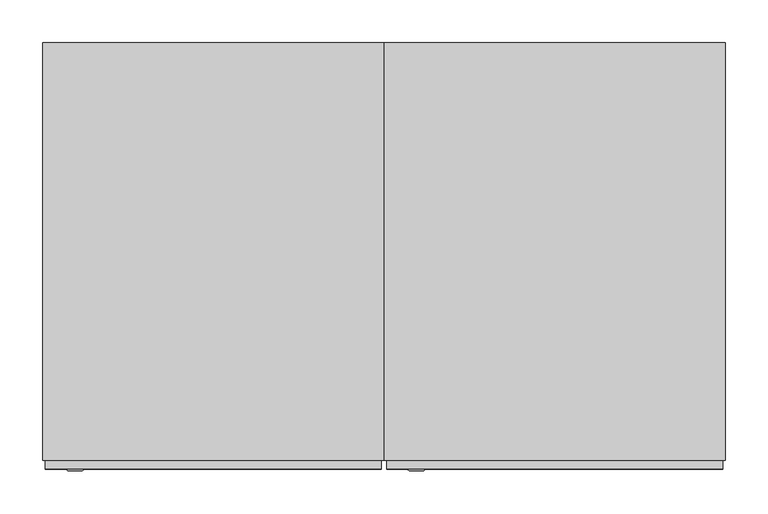
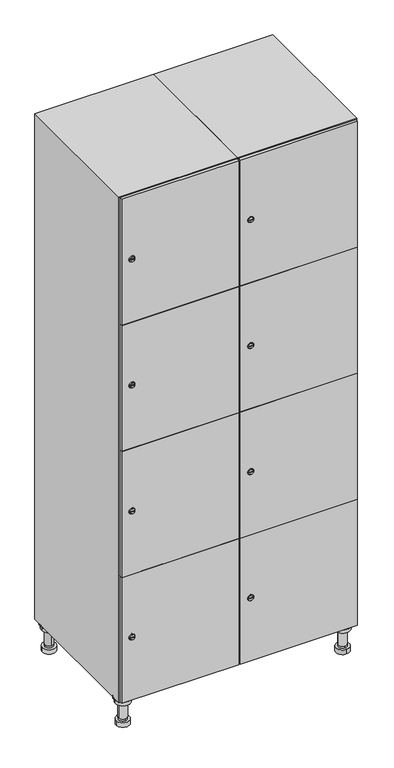
"""IFC4 building model written with IfcOpenShell, lengths in millimetres: furniture geometry."""

from ifc_helpers import new_model, si_unit, point, frame, frame_2d, origin, place, context, project, spatial, polyline, circle_curve, trimmed, segment, composite_curve, outline, extrude, faceted_brep, source, transform, mapped, element, save
from ifc_brep_helpers import plane_surface, cylinder_surface, revolved_surface, advanced_brep


def furniture_9d066c14(model_context):
    return source(origin(), model_context, "Body", "SolidModel", [
        advanced_brep(
        [(570.0, -201.0, 22.0), (570.0, -201.5, 16.0), (570.0, -228.5, 16.0), (570.0, -229.0, 22.0), (556.0, -215.0, 22.0), (584.0, -215.0, 22.0), (570.0, -192.5, 16.0), (570.0, -237.5, 16.0), (570.0, -192.5, 0.0), (570.0, -237.5, 0.0), (584.0, -215.0, 78.0), (556.0, -215.0, 78.0), (595.0, -215.0, 78.0), (545.0, -215.0, 78.0), (600.0, -215.0, 94.0), (540.0, -215.0, 94.0), (545.0, -215.0, 94.0), (595.0, -215.0, 94.0), (600.0, -215.0, 100.0), (540.0, -215.0, 100.0)],
        [
            (0, 1),
            (1, 2, circle_curve(frame((570.0, -215.0, 16.0), z_axis=(0.0, 0.0, 1.0), x_axis=(0.0, -1.0, 0.0)), 13.5)),
            (2, 3),
            (3, 4, circle_curve(frame((570.0, -215.0, 22.0), z_axis=(0.0, 0.0, -1.0), x_axis=(0.0, -1.0, 0.0)), 14.0)),
            (4, 0, circle_curve(frame((570.0, -215.0, 22.0), z_axis=(0.0, 0.0, -1.0), x_axis=(0.0, -1.0, 0.0)), 14.0)),
            (0, 5, circle_curve(frame((570.0, -215.0, 22.0), z_axis=(0.0, 0.0, -1.0), x_axis=(0.0, 1.0, 0.0)), 14.0)),
            (5, 3, circle_curve(frame((570.0, -215.0, 22.0), z_axis=(0.0, 0.0, -1.0), x_axis=(0.0, 1.0, 0.0)), 14.0)),
            (2, 1, circle_curve(frame((570.0, -215.0, 16.0), z_axis=(0.0, 0.0, 1.0), x_axis=(0.0, 1.0, 0.0)), 13.5)),
            (6, 7, circle_curve(frame((570.0, -215.0, 16.0), z_axis=(0.0, 0.0, 1.0), x_axis=(0.0, -1.0, 0.0)), 22.5)),
            (7, 6, circle_curve(frame((570.0, -215.0, 16.0), z_axis=(0.0, 0.0, 1.0), x_axis=(0.0, -1.0, 0.0)), 22.5)),
            (8, 9, circle_curve(frame((570.0, -215.0, 0.0), z_axis=(0.0, 0.0, -1.0), x_axis=(0.0, -1.0, 0.0)), 22.5)),
            (9, 8, circle_curve(frame((570.0, -215.0, 0.0), z_axis=(0.0, 0.0, -1.0), x_axis=(0.0, -1.0, 0.0)), 22.5)),
            (6, 8),
            (9, 7),
            (5, 10),
            (10, 11, circle_curve(frame((570.0, -215.0, 78.0), z_axis=(0.0, 0.0, -1.0), x_axis=(-1.0, 0.0, 0.0)), 14.0)),
            (11, 4),
            (11, 10, circle_curve(frame((570.0, -215.0, 78.0), z_axis=(0.0, 0.0, -1.0), x_axis=(-1.0, 0.0, 0.0)), 14.0)),
            (12, 13, circle_curve(frame((570.0, -215.0, 78.0), z_axis=(0.0, 0.0, -1.0), x_axis=(-1.0, 0.0, 0.0)), 25.0)),
            (13, 12, circle_curve(frame((570.0, -215.0, 78.0), z_axis=(0.0, 0.0, -1.0), x_axis=(-1.0, 0.0, 0.0)), 25.0)),
            (14, 15, circle_curve(frame((570.0, -215.0, 94.0), z_axis=(0.0, 0.0, -1.0), x_axis=(-1.0, 0.0, 0.0)), 30.0)),
            (15, 14, circle_curve(frame((570.0, -215.0, 94.0), z_axis=(0.0, 0.0, -1.0), x_axis=(-1.0, 0.0, 0.0)), 30.0)),
            (16, 17, circle_curve(frame((570.0, -215.0, 94.0), z_axis=(0.0, 0.0, 1.0), x_axis=(-1.0, 0.0, 0.0)), 25.0)),
            (17, 16, circle_curve(frame((570.0, -215.0, 94.0), z_axis=(0.0, 0.0, 1.0), x_axis=(-1.0, 0.0, 0.0)), 25.0)),
            (18, 19, circle_curve(frame((570.0, -215.0, 100.0), z_axis=(0.0, 0.0, 1.0), x_axis=(-1.0, 0.0, 0.0)), 30.0)),
            (19, 18, circle_curve(frame((570.0, -215.0, 100.0), z_axis=(0.0, 0.0, 1.0), x_axis=(-1.0, 0.0, 0.0)), 30.0)),
            (14, 18),
            (19, 15),
            (12, 17),
            (16, 13),
        ],
        [
            revolved_surface(polyline([(570.0, -201.5, 16.0), (570.0, -201.0, 22.0)]), (570.0, -215.0, -146.0), (0.0, 0.0, 1.0)),
            plane_surface(frame((570.0, 0.0, 16.0), z_axis=(0.0, 0.0, 1.0), x_axis=(0.0, -1.0, 0.0))),
            plane_surface(frame((570.0, 0.0, 0.0), z_axis=(0.0, 0.0, -1.0), x_axis=(0.0, -1.0, 0.0))),
            cylinder_surface(frame((570.0, -215.0, 16.0), z_axis=(0.0, 0.0, 1.0), x_axis=(0.0, -1.0, 0.0)), 22.5),
            cylinder_surface(frame((570.0, -215.0, 22.0), z_axis=(0.0, 0.0, -1.0), x_axis=(-1.0, 0.0, 0.0)), 14.0),
            plane_surface(frame((570.0, 0.0, 78.0), z_axis=(0.0, 0.0, -1.0), x_axis=(0.0, -1.0, 0.0))),
            plane_surface(frame((570.0, 0.0, 94.0), z_axis=(0.0, 0.0, -1.0), x_axis=(0.0, -1.0, 0.0))),
            plane_surface(frame((570.0, 0.0, 100.0), z_axis=(0.0, 0.0, 1.0), x_axis=(0.0, -1.0, 0.0))),
            cylinder_surface(frame((570.0, -215.0, 94.0), z_axis=(0.0, 0.0, -1.0), x_axis=(-1.0, 0.0, 0.0)), 30.0),
            cylinder_surface(frame((570.0, -215.0, 78.0), z_axis=(0.0, 0.0, -1.0), x_axis=(-1.0, 0.0, 0.0)), 25.0),
        ],
        [
            (0, [[1, 2, 3, 4, 5]]),
            (0, [[-1, 6, 7, -3, 8]]),
            (1, [[9, 10], [-2, -8]]),
            (2, [[11, 12]]),
            (3, [[-9, 13, -12, 14]]),
            (3, [[-10, -14, -11, -13]]),
            (4, [[15, 16, 17, -4, -7]]),
            (4, [[-15, -6, -5, -17, 18]]),
            (5, [[19, 20], [-16, -18]]),
            (6, [[21, 22], [23, 24]]),
            (7, [[25, 26]]),
            (8, [[-21, 27, -26, 28]]),
            (8, [[-22, -28, -25, -27]]),
            (9, [[-19, 29, -23, 30]]),
            (9, [[-20, -30, -24, -29]]),
        ],
    ),
        advanced_brep(
        [(-170.0, -201.0, 22.0), (-170.0, -201.5, 16.0), (-170.0, -228.5, 16.0), (-170.0, -229.0, 22.0), (-184.0, -215.0, 22.0), (-156.0, -215.0, 22.0), (-147.5, -215.0, 0.0), (-192.5, -215.0, 0.0), (-147.5, -215.0, 16.0), (-192.5, -215.0, 16.0), (-156.0, -215.0, 78.0), (-184.0, -215.0, 78.0), (-145.0, -215.0, 78.0), (-195.0, -215.0, 78.0), (-140.0, -215.0, 94.0), (-200.0, -215.0, 94.0), (-195.0, -215.0, 94.0), (-145.0, -215.0, 94.0), (-140.0, -215.0, 100.0), (-200.0, -215.0, 100.0)],
        [
            (0, 1),
            (1, 2, circle_curve(frame((-170.0, -215.0, 16.0), z_axis=(0.0, 0.0, 1.0), x_axis=(0.0, -1.0, 0.0)), 13.5)),
            (2, 3),
            (3, 4, circle_curve(frame((-170.0, -215.0, 22.0), z_axis=(0.0, 0.0, -1.0), x_axis=(0.0, -1.0, 0.0)), 14.0)),
            (4, 0, circle_curve(frame((-170.0, -215.0, 22.0), z_axis=(0.0, 0.0, -1.0), x_axis=(0.0, -1.0, 0.0)), 14.0)),
            (0, 5, circle_curve(frame((-170.0, -215.0, 22.0), z_axis=(0.0, 0.0, -1.0), x_axis=(0.0, 1.0, 0.0)), 14.0)),
            (5, 3, circle_curve(frame((-170.0, -215.0, 22.0), z_axis=(0.0, 0.0, -1.0), x_axis=(0.0, 1.0, 0.0)), 14.0)),
            (2, 1, circle_curve(frame((-170.0, -215.0, 16.0), z_axis=(0.0, 0.0, 1.0), x_axis=(0.0, 1.0, 0.0)), 13.5)),
            (6, 7, circle_curve(frame((-170.0, -215.0, 0.0), z_axis=(0.0, 0.0, -1.0), x_axis=(-1.0, 0.0, 0.0)), 22.5)),
            (7, 6, circle_curve(frame((-170.0, -215.0, 0.0), z_axis=(0.0, 0.0, -1.0), x_axis=(-1.0, 0.0, 0.0)), 22.5)),
            (8, 9, circle_curve(frame((-170.0, -215.0, 16.0), z_axis=(0.0, 0.0, 1.0), x_axis=(-1.0, 0.0, 0.0)), 22.5)),
            (9, 8, circle_curve(frame((-170.0, -215.0, 16.0), z_axis=(0.0, 0.0, 1.0), x_axis=(-1.0, 0.0, 0.0)), 22.5)),
            (6, 8),
            (9, 7),
            (5, 10),
            (10, 11, circle_curve(frame((-170.0, -215.0, 78.0), z_axis=(0.0, 0.0, -1.0), x_axis=(-1.0, 0.0, 0.0)), 14.0)),
            (11, 4),
            (11, 10, circle_curve(frame((-170.0, -215.0, 78.0), z_axis=(0.0, 0.0, -1.0), x_axis=(-1.0, 0.0, 0.0)), 14.0)),
            (12, 13, circle_curve(frame((-170.0, -215.0, 78.0), z_axis=(0.0, 0.0, -1.0), x_axis=(-1.0, 0.0, 0.0)), 25.0)),
            (13, 12, circle_curve(frame((-170.0, -215.0, 78.0), z_axis=(0.0, 0.0, -1.0), x_axis=(-1.0, 0.0, 0.0)), 25.0)),
            (14, 15, circle_curve(frame((-170.0, -215.0, 94.0), z_axis=(0.0, 0.0, -1.0), x_axis=(-1.0, 0.0, 0.0)), 30.0)),
            (15, 14, circle_curve(frame((-170.0, -215.0, 94.0), z_axis=(0.0, 0.0, -1.0), x_axis=(-1.0, 0.0, 0.0)), 30.0)),
            (16, 17, circle_curve(frame((-170.0, -215.0, 94.0), z_axis=(0.0, 0.0, 1.0), x_axis=(-1.0, 0.0, 0.0)), 25.0)),
            (17, 16, circle_curve(frame((-170.0, -215.0, 94.0), z_axis=(0.0, 0.0, 1.0), x_axis=(-1.0, 0.0, 0.0)), 25.0)),
            (18, 19, circle_curve(frame((-170.0, -215.0, 100.0), z_axis=(0.0, 0.0, 1.0), x_axis=(-1.0, 0.0, 0.0)), 30.0)),
            (19, 18, circle_curve(frame((-170.0, -215.0, 100.0), z_axis=(0.0, 0.0, 1.0), x_axis=(-1.0, 0.0, 0.0)), 30.0)),
            (14, 18),
            (19, 15),
            (12, 17),
            (16, 13),
        ],
        [
            revolved_surface(polyline([(-170.0, -201.5, 16.0), (-170.0, -201.0, 22.0)]), (-170.0, -215.0, -146.0), (0.0, 0.0, 1.0)),
            plane_surface(frame((-170.0, 0.0, 0.0), z_axis=(0.0, 0.0, -1.0), x_axis=(0.0, -1.0, 0.0))),
            plane_surface(frame((-170.0, 0.0, 16.0), z_axis=(0.0, 0.0, 1.0), x_axis=(0.0, -1.0, 0.0))),
            cylinder_surface(frame((-170.0, -215.0, 0.0), z_axis=(0.0, 0.0, -1.0), x_axis=(-1.0, 0.0, 0.0)), 22.5),
            cylinder_surface(frame((-170.0, -215.0, 22.0), z_axis=(0.0, 0.0, -1.0), x_axis=(-1.0, 0.0, 0.0)), 14.0),
            plane_surface(frame((-170.0, 0.0, 78.0), z_axis=(0.0, 0.0, -1.0), x_axis=(0.0, -1.0, 0.0))),
            plane_surface(frame((-170.0, 0.0, 94.0), z_axis=(0.0, 0.0, -1.0), x_axis=(0.0, -1.0, 0.0))),
            plane_surface(frame((-170.0, 0.0, 100.0), z_axis=(0.0, 0.0, 1.0), x_axis=(0.0, -1.0, 0.0))),
            cylinder_surface(frame((-170.0, -215.0, 94.0), z_axis=(0.0, 0.0, -1.0), x_axis=(-1.0, 0.0, 0.0)), 30.0),
            cylinder_surface(frame((-170.0, -215.0, 78.0), z_axis=(0.0, 0.0, -1.0), x_axis=(-1.0, 0.0, 0.0)), 25.0),
        ],
        [
            (0, [[1, 2, 3, 4, 5]]),
            (0, [[-1, 6, 7, -3, 8]]),
            (1, [[9, 10]]),
            (2, [[11, 12], [-2, -8]]),
            (3, [[-9, 13, -12, 14]]),
            (3, [[-10, -14, -11, -13]]),
            (4, [[15, 16, 17, -4, -7]]),
            (4, [[-15, -6, -5, -17, 18]]),
            (5, [[19, 20], [-16, -18]]),
            (6, [[21, 22], [23, 24]]),
            (7, [[25, 26]]),
            (8, [[-21, 27, -26, 28]]),
            (8, [[-22, -28, -25, -27]]),
            (9, [[-19, 29, -23, 30]]),
            (9, [[-20, -30, -24, -29]]),
        ],
    ),
        advanced_brep(
        [(583.5, 215.0, 16.0), (584.0, 215.0, 22.0), (556.0, 215.0, 22.0), (556.5, 215.0, 16.0), (592.5, 215.0, 0.0), (547.5, 215.0, 0.0), (592.5, 215.0, 16.0), (547.5, 215.0, 16.0), (584.0, 215.0, 78.0), (556.0, 215.0, 78.0), (595.0, 215.0, 78.0), (545.0, 215.0, 78.0), (600.0, 215.0, 94.0), (540.0, 215.0, 94.0), (545.0, 215.0, 94.0), (595.0, 215.0, 94.0), (600.0, 215.0, 100.0), (540.0, 215.0, 100.0)],
        [
            (0, 1),
            (1, 2, circle_curve(frame((570.0, 215.0, 22.0), z_axis=(0.0, 0.0, -1.0), x_axis=(-1.0, 0.0, 0.0)), 14.0)),
            (2, 3),
            (3, 0, circle_curve(frame((570.0, 215.0, 16.0), z_axis=(0.0, 0.0, 1.0), x_axis=(-1.0, 0.0, 0.0)), 13.5)),
            (0, 3, circle_curve(frame((570.0, 215.0, 16.0), z_axis=(0.0, 0.0, 1.0), x_axis=(1.0, 0.0, 0.0)), 13.5)),
            (2, 1, circle_curve(frame((570.0, 215.0, 22.0), z_axis=(0.0, 0.0, -1.0), x_axis=(1.0, 0.0, 0.0)), 14.0)),
            (4, 5, circle_curve(frame((570.0, 215.0, 0.0), z_axis=(0.0, 0.0, -1.0), x_axis=(-1.0, 0.0, 0.0)), 22.5)),
            (5, 4, circle_curve(frame((570.0, 215.0, 0.0), z_axis=(0.0, 0.0, -1.0), x_axis=(-1.0, 0.0, 0.0)), 22.5)),
            (6, 7, circle_curve(frame((570.0, 215.0, 16.0), z_axis=(0.0, 0.0, 1.0), x_axis=(-1.0, 0.0, 0.0)), 22.5)),
            (7, 6, circle_curve(frame((570.0, 215.0, 16.0), z_axis=(0.0, 0.0, 1.0), x_axis=(-1.0, 0.0, 0.0)), 22.5)),
            (4, 6),
            (7, 5),
            (1, 8),
            (8, 9, circle_curve(frame((570.0, 215.0, 78.0), z_axis=(0.0, 0.0, -1.0), x_axis=(-1.0, 0.0, 0.0)), 14.0)),
            (9, 2),
            (9, 8, circle_curve(frame((570.0, 215.0, 78.0), z_axis=(0.0, 0.0, -1.0), x_axis=(-1.0, 0.0, 0.0)), 14.0)),
            (10, 11, circle_curve(frame((570.0, 215.0, 78.0), z_axis=(0.0, 0.0, -1.0), x_axis=(-1.0, 0.0, 0.0)), 25.0)),
            (11, 10, circle_curve(frame((570.0, 215.0, 78.0), z_axis=(0.0, 0.0, -1.0), x_axis=(-1.0, 0.0, 0.0)), 25.0)),
            (12, 13, circle_curve(frame((570.0, 215.0, 94.0), z_axis=(0.0, 0.0, -1.0), x_axis=(-1.0, 0.0, 0.0)), 30.0)),
            (13, 12, circle_curve(frame((570.0, 215.0, 94.0), z_axis=(0.0, 0.0, -1.0), x_axis=(-1.0, 0.0, 0.0)), 30.0)),
            (14, 15, circle_curve(frame((570.0, 215.0, 94.0), z_axis=(0.0, 0.0, 1.0), x_axis=(-1.0, 0.0, 0.0)), 25.0)),
            (15, 14, circle_curve(frame((570.0, 215.0, 94.0), z_axis=(0.0, 0.0, 1.0), x_axis=(-1.0, 0.0, 0.0)), 25.0)),
            (16, 17, circle_curve(frame((570.0, 215.0, 100.0), z_axis=(0.0, 0.0, 1.0), x_axis=(-1.0, 0.0, 0.0)), 30.0)),
            (17, 16, circle_curve(frame((570.0, 215.0, 100.0), z_axis=(0.0, 0.0, 1.0), x_axis=(-1.0, 0.0, 0.0)), 30.0)),
            (12, 16),
            (17, 13),
            (10, 15),
            (14, 11),
        ],
        [
            revolved_surface(polyline([(583.5, 215.0, 16.0), (584.0, 215.0, 22.0)]), (570.0, 215.0, -146.0), (0.0, 0.0, 1.0)),
            plane_surface(frame((570.0, 0.0, 0.0), z_axis=(0.0, 0.0, -1.0), x_axis=(0.0, -1.0, 0.0))),
            plane_surface(frame((570.0, 0.0, 16.0), z_axis=(0.0, 0.0, 1.0), x_axis=(0.0, -1.0, 0.0))),
            cylinder_surface(frame((570.0, 215.0, 0.0), z_axis=(0.0, 0.0, -1.0), x_axis=(-1.0, 0.0, 0.0)), 22.5),
            cylinder_surface(frame((570.0, 215.0, 22.0), z_axis=(0.0, 0.0, -1.0), x_axis=(-1.0, 0.0, 0.0)), 14.0),
            plane_surface(frame((570.0, 0.0, 78.0), z_axis=(0.0, 0.0, -1.0), x_axis=(0.0, -1.0, 0.0))),
            plane_surface(frame((570.0, 0.0, 94.0), z_axis=(0.0, 0.0, -1.0), x_axis=(0.0, -1.0, 0.0))),
            plane_surface(frame((570.0, 0.0, 100.0), z_axis=(0.0, 0.0, 1.0), x_axis=(0.0, -1.0, 0.0))),
            cylinder_surface(frame((570.0, 215.0, 94.0), z_axis=(0.0, 0.0, -1.0), x_axis=(-1.0, 0.0, 0.0)), 30.0),
            cylinder_surface(frame((570.0, 215.0, 78.0), z_axis=(0.0, 0.0, -1.0), x_axis=(-1.0, 0.0, 0.0)), 25.0),
        ],
        [
            (0, [[1, 2, 3, 4]]),
            (0, [[-1, 5, -3, 6]]),
            (1, [[7, 8]]),
            (2, [[9, 10], [-4, -5]]),
            (3, [[-7, 11, -10, 12]]),
            (3, [[-8, -12, -9, -11]]),
            (4, [[13, 14, 15, -2]]),
            (4, [[-13, -6, -15, 16]]),
            (5, [[17, 18], [-14, -16]]),
            (6, [[19, 20], [21, 22]]),
            (7, [[23, 24]]),
            (8, [[-19, 25, -24, 26]]),
            (8, [[-20, -26, -23, -25]]),
            (9, [[-17, 27, -21, 28]]),
            (9, [[-18, -28, -22, -27]]),
        ],
    ),
        advanced_brep(
        [(-156.5, 215.0, 16.0), (-156.0, 215.0, 22.0), (-170.0, 201.0, 22.0), (-184.0, 215.0, 22.0), (-183.5, 215.0, 16.0), (-170.0, 229.0, 22.0), (-147.5, 215.0, 0.0), (-192.5, 215.0, 0.0), (-147.5, 215.0, 16.0), (-192.5, 215.0, 16.0), (-170.0, 229.0, 78.0), (-170.0, 201.0, 78.0), (-145.0, 215.0, 78.0), (-195.0, 215.0, 78.0), (-140.0, 215.0, 94.0), (-200.0, 215.0, 94.0), (-195.0, 215.0, 94.0), (-145.0, 215.0, 94.0), (-140.0, 215.0, 100.0), (-200.0, 215.0, 100.0)],
        [
            (0, 1),
            (1, 2, circle_curve(frame((-170.0, 215.0, 22.0), z_axis=(0.0, 0.0, -1.0), x_axis=(-1.0, 0.0, 0.0)), 14.0)),
            (2, 3, circle_curve(frame((-170.0, 215.0, 22.0), z_axis=(0.0, 0.0, -1.0), x_axis=(-1.0, 0.0, 0.0)), 14.0)),
            (3, 4),
            (4, 0, circle_curve(frame((-170.0, 215.0, 16.0), z_axis=(0.0, 0.0, 1.0), x_axis=(-1.0, 0.0, 0.0)), 13.5)),
            (0, 4, circle_curve(frame((-170.0, 215.0, 16.0), z_axis=(0.0, 0.0, 1.0), x_axis=(1.0, 0.0, 0.0)), 13.5)),
            (3, 5, circle_curve(frame((-170.0, 215.0, 22.0), z_axis=(0.0, 0.0, -1.0), x_axis=(1.0, 0.0, 0.0)), 14.0)),
            (5, 1, circle_curve(frame((-170.0, 215.0, 22.0), z_axis=(0.0, 0.0, -1.0), x_axis=(1.0, 0.0, 0.0)), 14.0)),
            (6, 7, circle_curve(frame((-170.0, 215.0, 0.0), z_axis=(0.0, 0.0, -1.0), x_axis=(-1.0, 0.0, 0.0)), 22.5)),
            (7, 6, circle_curve(frame((-170.0, 215.0, 0.0), z_axis=(0.0, 0.0, -1.0), x_axis=(-1.0, 0.0, 0.0)), 22.5)),
            (8, 9, circle_curve(frame((-170.0, 215.0, 16.0), z_axis=(0.0, 0.0, 1.0), x_axis=(-1.0, 0.0, 0.0)), 22.5)),
            (9, 8, circle_curve(frame((-170.0, 215.0, 16.0), z_axis=(0.0, 0.0, 1.0), x_axis=(-1.0, 0.0, 0.0)), 22.5)),
            (6, 8),
            (9, 7),
            (10, 5),
            (2, 11),
            (11, 10, circle_curve(frame((-170.0, 215.0, 78.0), z_axis=(0.0, 0.0, -1.0), x_axis=(0.0, -1.0, 0.0)), 14.0)),
            (10, 11, circle_curve(frame((-170.0, 215.0, 78.0), z_axis=(0.0, 0.0, -1.0), x_axis=(0.0, -1.0, 0.0)), 14.0)),
            (12, 13, circle_curve(frame((-170.0, 215.0, 78.0), z_axis=(0.0, 0.0, -1.0), x_axis=(-1.0, 0.0, 0.0)), 25.0)),
            (13, 12, circle_curve(frame((-170.0, 215.0, 78.0), z_axis=(0.0, 0.0, -1.0), x_axis=(-1.0, 0.0, 0.0)), 25.0)),
            (14, 15, circle_curve(frame((-170.0, 215.0, 94.0), z_axis=(0.0, 0.0, -1.0), x_axis=(-1.0, 0.0, 0.0)), 30.0)),
            (15, 14, circle_curve(frame((-170.0, 215.0, 94.0), z_axis=(0.0, 0.0, -1.0), x_axis=(-1.0, 0.0, 0.0)), 30.0)),
            (16, 17, circle_curve(frame((-170.0, 215.0, 94.0), z_axis=(0.0, 0.0, 1.0), x_axis=(-1.0, 0.0, 0.0)), 25.0)),
            (17, 16, circle_curve(frame((-170.0, 215.0, 94.0), z_axis=(0.0, 0.0, 1.0), x_axis=(-1.0, 0.0, 0.0)), 25.0)),
            (18, 19, circle_curve(frame((-170.0, 215.0, 100.0), z_axis=(0.0, 0.0, 1.0), x_axis=(-1.0, 0.0, 0.0)), 30.0)),
            (19, 18, circle_curve(frame((-170.0, 215.0, 100.0), z_axis=(0.0, 0.0, 1.0), x_axis=(-1.0, 0.0, 0.0)), 30.0)),
            (14, 18),
            (19, 15),
            (12, 17),
            (16, 13),
        ],
        [
            revolved_surface(polyline([(-156.5, 215.0, 16.0), (-156.0, 215.0, 22.0)]), (-170.0, 215.0, -146.0), (0.0, 0.0, 1.0)),
            plane_surface(frame((-170.0, 0.0, 0.0), z_axis=(0.0, 0.0, -1.0), x_axis=(0.0, -1.0, 0.0))),
            plane_surface(frame((-170.0, 0.0, 16.0), z_axis=(0.0, 0.0, 1.0), x_axis=(0.0, -1.0, 0.0))),
            cylinder_surface(frame((-170.0, 215.0, 0.0), z_axis=(0.0, 0.0, -1.0), x_axis=(-1.0, 0.0, 0.0)), 22.5),
            cylinder_surface(frame((-170.0, 215.0, 78.0), z_axis=(0.0, 0.0, 1.0), x_axis=(0.0, -1.0, 0.0)), 14.0),
            plane_surface(frame((-170.0, 0.0, 78.0), z_axis=(0.0, 0.0, -1.0), x_axis=(0.0, -1.0, 0.0))),
            plane_surface(frame((-170.0, 0.0, 94.0), z_axis=(0.0, 0.0, -1.0), x_axis=(0.0, -1.0, 0.0))),
            plane_surface(frame((-170.0, 0.0, 100.0), z_axis=(0.0, 0.0, 1.0), x_axis=(0.0, -1.0, 0.0))),
            cylinder_surface(frame((-170.0, 215.0, 94.0), z_axis=(0.0, 0.0, -1.0), x_axis=(-1.0, 0.0, 0.0)), 30.0),
            cylinder_surface(frame((-170.0, 215.0, 78.0), z_axis=(0.0, 0.0, -1.0), x_axis=(-1.0, 0.0, 0.0)), 25.0),
        ],
        [
            (0, [[1, 2, 3, 4, 5]]),
            (0, [[-1, 6, -4, 7, 8]]),
            (1, [[9, 10]]),
            (2, [[11, 12], [-5, -6]]),
            (3, [[-9, 13, -12, 14]]),
            (3, [[-10, -14, -11, -13]]),
            (4, [[15, -7, -3, 16, 17]]),
            (4, [[-15, 18, -16, -2, -8]]),
            (5, [[19, 20], [-17, -18]]),
            (6, [[21, 22], [23, 24]]),
            (7, [[25, 26]]),
            (8, [[-21, 27, -26, 28]]),
            (8, [[-22, -28, -25, -27]]),
            (9, [[-19, 29, -23, 30]]),
            (9, [[-20, -30, -24, -29]]),
        ],
    ),
        extrude(outline(composite_curve([segment(trimmed(circle_curve(frame_2d((327.25, 211.2010534)), 7.0), [point((334.25, 211.2010534))], [point((320.25, 211.2010534))], False, "CARTESIAN"), True, "CONTINUOUS"), segment(polyline([(320.25, 211.2010534), (320.25, 239.2010534)]), True, "CONTINUOUS"), segment(trimmed(circle_curve(frame_2d((327.25, 239.2010534)), 7.0), [point((320.25, 239.2010534))], [point((334.25, 239.2010534))], False, "CARTESIAN"), True, "CONTINUOUS"), segment(polyline([(334.25, 239.2010534), (334.25, 211.2010534)]), True, "CONTINUOUS")], self_intersect=False)), frame((0.0, -245.0, 0.0), z_axis=(0.0, 1.0, 0.0), x_axis=(0.0, 0.0, 1.0)), (0.0, 0.0, 1.0), 2.0),
        advanced_brep(
        [(246.5, -257.2, 327.25), (229.5, -257.2, 327.25), (233.0, -257.2, 326.0), (233.0, -257.2, 328.5), (243.0, -257.2, 328.5), (243.0, -257.2, 326.0), (248.5, -255.0, 327.25), (227.5, -255.0, 327.25), (233.0, -255.0, 328.5), (233.0, -255.0, 326.0), (243.0, -255.0, 326.0), (243.0, -255.0, 328.5)],
        [
            (0, 1, circle_curve(frame((238.0, -257.2, 327.25), z_axis=(0.0, -1.0, 0.0), x_axis=(1.0, 0.0, 0.0)), 8.5)),
            (1, 0, circle_curve(frame((238.0, -257.2, 327.25), z_axis=(0.0, -1.0, 0.0), x_axis=(-1.0, 0.0, 0.0)), 8.5)),
            (2, 3),
            (3, 4),
            (4, 5),
            (5, 2),
            (6, 7, circle_curve(frame((238.0, -255.0, 327.25), z_axis=(0.0, 1.0, 0.0), x_axis=(-1.0, 0.0, 0.0)), 10.5)),
            (7, 6, circle_curve(frame((238.0, -255.0, 327.25), z_axis=(0.0, 1.0, 0.0), x_axis=(1.0, 0.0, 0.0)), 10.5)),
            (8, 9),
            (9, 10),
            (10, 11),
            (11, 8),
            (0, 6),
            (7, 1),
            (8, 3),
            (2, 9),
            (11, 4),
            (10, 5),
        ],
        [
            plane_surface(frame((238.0, -257.2, 327.25), z_axis=(0.0, -1.0, 0.0), x_axis=(0.0, 0.0, 1.0))),
            plane_surface(frame((238.0, -255.0, 327.25), z_axis=(0.0, 1.0, 0.0), x_axis=(0.0, 0.0, 1.0))),
            revolved_surface(polyline([(246.5, -257.2, 327.25), (248.5, -255.0, 327.25)]), (238.0, -266.55, 327.25), (0.0, 1.0, 0.0)),
            revolved_surface(polyline([(229.5, -257.2, 327.25), (227.5, -255.0, 327.25)]), (238.0, -266.55, 327.25), (0.0, 1.0, 0.0)),
            plane_surface(frame((233.0, -255.0, 326.0), z_axis=(1.0, 0.0, 0.0), x_axis=(0.0, -1.0, 0.0))),
            plane_surface(frame((233.0, -255.0, 328.5), z_axis=(0.0, 0.0, -1.0), x_axis=(0.0, -1.0, 0.0))),
            plane_surface(frame((243.0, -255.0, 328.5), z_axis=(-1.0, 0.0, 0.0), x_axis=(0.0, -1.0, 0.0))),
            plane_surface(frame((243.0, -255.0, 326.0), z_axis=(0.0, 0.0, 1.0), x_axis=(0.0, -1.0, 0.0))),
        ],
        [
            (0, [[1, 2], [3, 4, 5, 6]]),
            (1, [[7, 8], [9, 10, 11, 12]]),
            (2, [[-1, 13, -8, 14]]),
            (3, [[-2, -14, -7, -13]]),
            (4, [[15, -3, 16, -9]]),
            (5, [[-15, -12, 17, -4]]),
            (6, [[-17, -11, 18, -5]]),
            (7, [[-16, -6, -18, -10]]),
        ],
    ),
        extrude(outline(composite_curve([segment(trimmed(circle_curve(frame_2d((775.75, 211.2010534)), 7.0), [point((782.75, 211.2010534))], [point((768.75, 211.2010534))], False, "CARTESIAN"), True, "CONTINUOUS"), segment(polyline([(768.75, 211.2010534), (768.75, 239.2010534)]), True, "CONTINUOUS"), segment(trimmed(circle_curve(frame_2d((775.75, 239.2010534)), 7.0), [point((768.75, 239.2010534))], [point((782.75, 239.2010534))], False, "CARTESIAN"), True, "CONTINUOUS"), segment(polyline([(782.75, 239.2010534), (782.75, 211.2010534)]), True, "CONTINUOUS")], self_intersect=False)), frame((0.0, -245.0, 0.0), z_axis=(0.0, 1.0, 0.0), x_axis=(0.0, 0.0, 1.0)), (0.0, 0.0, 1.0), 2.0),
        advanced_brep(
        [(246.5, -257.2, 775.75), (229.5, -257.2, 775.75), (233.0, -257.2, 774.5), (233.0, -257.2, 777.0), (243.0, -257.2, 777.0), (243.0, -257.2, 774.5), (248.5, -255.0, 775.75), (227.5, -255.0, 775.75), (233.0, -255.0, 777.0), (233.0, -255.0, 774.5), (243.0, -255.0, 774.5), (243.0, -255.0, 777.0)],
        [
            (0, 1, circle_curve(frame((238.0, -257.2, 775.75), z_axis=(0.0, -1.0, 0.0), x_axis=(1.0, 0.0, 0.0)), 8.5)),
            (1, 0, circle_curve(frame((238.0, -257.2, 775.75), z_axis=(0.0, -1.0, 0.0), x_axis=(-1.0, 0.0, 0.0)), 8.5)),
            (2, 3),
            (3, 4),
            (4, 5),
            (5, 2),
            (6, 7, circle_curve(frame((238.0, -255.0, 775.75), z_axis=(0.0, 1.0, 0.0), x_axis=(-1.0, 0.0, 0.0)), 10.5)),
            (7, 6, circle_curve(frame((238.0, -255.0, 775.75), z_axis=(0.0, 1.0, 0.0), x_axis=(1.0, 0.0, 0.0)), 10.5)),
            (8, 9),
            (9, 10),
            (10, 11),
            (11, 8),
            (0, 6),
            (7, 1),
            (8, 3),
            (2, 9),
            (11, 4),
            (10, 5),
        ],
        [
            plane_surface(frame((238.0, -257.2, 775.75), z_axis=(0.0, -1.0, 0.0), x_axis=(0.0, 0.0, 1.0))),
            plane_surface(frame((238.0, -255.0, 775.75), z_axis=(0.0, 1.0, 0.0), x_axis=(0.0, 0.0, 1.0))),
            revolved_surface(polyline([(246.5, -257.2, 775.75), (248.5, -255.0, 775.75)]), (238.0, -266.55, 775.75), (0.0, 1.0, 0.0)),
            revolved_surface(polyline([(229.5, -257.2, 775.75), (227.5, -255.0, 775.75)]), (238.0, -266.55, 775.75), (0.0, 1.0, 0.0)),
            plane_surface(frame((233.0, -255.0, 774.5), z_axis=(1.0, 0.0, 0.0), x_axis=(0.0, -1.0, 0.0))),
            plane_surface(frame((233.0, -255.0, 777.0), z_axis=(0.0, 0.0, -1.0), x_axis=(0.0, -1.0, 0.0))),
            plane_surface(frame((243.0, -255.0, 777.0), z_axis=(-1.0, 0.0, 0.0), x_axis=(0.0, -1.0, 0.0))),
            plane_surface(frame((243.0, -255.0, 774.5), z_axis=(0.0, 0.0, 1.0), x_axis=(0.0, -1.0, 0.0))),
        ],
        [
            (0, [[1, 2], [3, 4, 5, 6]]),
            (1, [[7, 8], [9, 10, 11, 12]]),
            (2, [[-1, 13, -8, 14]]),
            (3, [[-2, -14, -7, -13]]),
            (4, [[15, -3, 16, -9]]),
            (5, [[-15, -12, 17, -4]]),
            (6, [[-17, -11, 18, -5]]),
            (7, [[-16, -6, -18, -10]]),
        ],
    ),
        extrude(outline(composite_curve([segment(trimmed(circle_curve(frame_2d((1224.25, 211.2010534)), 7.0), [point((1231.25, 211.2010534))], [point((1217.25, 211.2010534))], False, "CARTESIAN"), True, "CONTINUOUS"), segment(polyline([(1217.25, 211.2010534), (1217.25, 239.2010534)]), True, "CONTINUOUS"), segment(trimmed(circle_curve(frame_2d((1224.25, 239.2010534)), 7.0), [point((1217.25, 239.2010534))], [point((1231.25, 239.2010534))], False, "CARTESIAN"), True, "CONTINUOUS"), segment(polyline([(1231.25, 239.2010534), (1231.25, 211.2010534)]), True, "CONTINUOUS")], self_intersect=False)), frame((0.0, -245.0, 0.0), z_axis=(0.0, 1.0, 0.0), x_axis=(0.0, 0.0, 1.0)), (0.0, 0.0, 1.0), 2.0),
        advanced_brep(
        [(246.5, -257.2, 1224.25), (229.5, -257.2, 1224.25), (233.0, -257.2, 1223.0), (233.0, -257.2, 1225.5), (243.0, -257.2, 1225.5), (243.0, -257.2, 1223.0), (248.5, -255.0, 1224.25), (227.5, -255.0, 1224.25), (233.0, -255.0, 1225.5), (233.0, -255.0, 1223.0), (243.0, -255.0, 1223.0), (243.0, -255.0, 1225.5)],
        [
            (0, 1, circle_curve(frame((238.0, -257.2, 1224.25), z_axis=(0.0, -1.0, 0.0), x_axis=(1.0, 0.0, 0.0)), 8.5)),
            (1, 0, circle_curve(frame((238.0, -257.2, 1224.25), z_axis=(0.0, -1.0, 0.0), x_axis=(-1.0, 0.0, 0.0)), 8.5)),
            (2, 3),
            (3, 4),
            (4, 5),
            (5, 2),
            (6, 7, circle_curve(frame((238.0, -255.0, 1224.25), z_axis=(0.0, 1.0, 0.0), x_axis=(-1.0, 0.0, 0.0)), 10.5)),
            (7, 6, circle_curve(frame((238.0, -255.0, 1224.25), z_axis=(0.0, 1.0, 0.0), x_axis=(1.0, 0.0, 0.0)), 10.5)),
            (8, 9),
            (9, 10),
            (10, 11),
            (11, 8),
            (0, 6),
            (7, 1),
            (8, 3),
            (2, 9),
            (11, 4),
            (10, 5),
        ],
        [
            plane_surface(frame((238.0, -257.2, 1224.25), z_axis=(0.0, -1.0, 0.0), x_axis=(0.0, 0.0, 1.0))),
            plane_surface(frame((238.0, -255.0, 1224.25), z_axis=(0.0, 1.0, 0.0), x_axis=(0.0, 0.0, 1.0))),
            revolved_surface(polyline([(246.5, -257.2, 1224.25), (248.5, -255.0, 1224.25)]), (238.0, -266.55, 1224.25), (0.0, 1.0, 0.0)),
            revolved_surface(polyline([(229.5, -257.2, 1224.25), (227.5, -255.0, 1224.25)]), (238.0, -266.55, 1224.25), (0.0, 1.0, 0.0)),
            plane_surface(frame((233.0, -255.0, 1223.0), z_axis=(1.0, 0.0, 0.0), x_axis=(0.0, -1.0, 0.0))),
            plane_surface(frame((233.0, -255.0, 1225.5), z_axis=(0.0, 0.0, -1.0), x_axis=(0.0, -1.0, 0.0))),
            plane_surface(frame((243.0, -255.0, 1225.5), z_axis=(-1.0, 0.0, 0.0), x_axis=(0.0, -1.0, 0.0))),
            plane_surface(frame((243.0, -255.0, 1223.0), z_axis=(0.0, 0.0, 1.0), x_axis=(0.0, -1.0, 0.0))),
        ],
        [
            (0, [[1, 2], [3, 4, 5, 6]]),
            (1, [[7, 8], [9, 10, 11, 12]]),
            (2, [[-1, 13, -8, 14]]),
            (3, [[-2, -14, -7, -13]]),
            (4, [[15, -3, 16, -9]]),
            (5, [[-15, -12, 17, -4]]),
            (6, [[-17, -11, 18, -5]]),
            (7, [[-16, -6, -18, -10]]),
        ],
    ),
        extrude(outline(composite_curve([segment(trimmed(circle_curve(frame_2d((1672.75, 211.2010534)), 7.0), [point((1679.75, 211.2010534))], [point((1665.75, 211.2010534))], False, "CARTESIAN"), True, "CONTINUOUS"), segment(polyline([(1665.75, 211.2010534), (1665.75, 239.2010534)]), True, "CONTINUOUS"), segment(trimmed(circle_curve(frame_2d((1672.75, 239.2010534)), 7.0), [point((1665.75, 239.2010534))], [point((1679.75, 239.2010534))], False, "CARTESIAN"), True, "CONTINUOUS"), segment(polyline([(1679.75, 239.2010534), (1679.75, 211.2010534)]), True, "CONTINUOUS")], self_intersect=False)), frame((0.0, -245.0, 0.0), z_axis=(0.0, 1.0, 0.0), x_axis=(0.0, 0.0, 1.0)), (0.0, 0.0, 1.0), 2.0),
        advanced_brep(
        [(246.5, -257.2, 1672.75), (229.5, -257.2, 1672.75), (233.0, -257.2, 1671.5), (233.0, -257.2, 1674.0), (243.0, -257.2, 1674.0), (243.0, -257.2, 1671.5), (248.5, -255.0, 1672.75), (227.5, -255.0, 1672.75), (233.0, -255.0, 1674.0), (233.0, -255.0, 1671.5), (243.0, -255.0, 1671.5), (243.0, -255.0, 1674.0)],
        [
            (0, 1, circle_curve(frame((238.0, -257.2, 1672.75), z_axis=(0.0, -1.0, 0.0), x_axis=(1.0, 0.0, 0.0)), 8.5)),
            (1, 0, circle_curve(frame((238.0, -257.2, 1672.75), z_axis=(0.0, -1.0, 0.0), x_axis=(-1.0, 0.0, 0.0)), 8.5)),
            (2, 3),
            (3, 4),
            (4, 5),
            (5, 2),
            (6, 7, circle_curve(frame((238.0, -255.0, 1672.75), z_axis=(0.0, 1.0, 0.0), x_axis=(-1.0, 0.0, 0.0)), 10.5)),
            (7, 6, circle_curve(frame((238.0, -255.0, 1672.75), z_axis=(0.0, 1.0, 0.0), x_axis=(1.0, 0.0, 0.0)), 10.5)),
            (8, 9),
            (9, 10),
            (10, 11),
            (11, 8),
            (0, 6),
            (7, 1),
            (8, 3),
            (2, 9),
            (11, 4),
            (10, 5),
        ],
        [
            plane_surface(frame((238.0, -257.2, 1672.75), z_axis=(0.0, -1.0, 0.0), x_axis=(0.0, 0.0, 1.0))),
            plane_surface(frame((238.0, -255.0, 1672.75), z_axis=(0.0, 1.0, 0.0), x_axis=(0.0, 0.0, 1.0))),
            revolved_surface(polyline([(246.5, -257.2, 1672.75), (248.5, -255.0, 1672.75)]), (238.0, -266.55, 1672.75), (0.0, 1.0, 0.0)),
            revolved_surface(polyline([(229.5, -257.2, 1672.75), (227.5, -255.0, 1672.75)]), (238.0, -266.55, 1672.75), (0.0, 1.0, 0.0)),
            plane_surface(frame((233.0, -255.0, 1671.5), z_axis=(1.0, 0.0, 0.0), x_axis=(0.0, -1.0, 0.0))),
            plane_surface(frame((233.0, -255.0, 1674.0), z_axis=(0.0, 0.0, -1.0), x_axis=(0.0, -1.0, 0.0))),
            plane_surface(frame((243.0, -255.0, 1674.0), z_axis=(-1.0, 0.0, 0.0), x_axis=(0.0, -1.0, 0.0))),
            plane_surface(frame((243.0, -255.0, 1671.5), z_axis=(0.0, 0.0, 1.0), x_axis=(0.0, -1.0, 0.0))),
        ],
        [
            (0, [[1, 2], [3, 4, 5, 6]]),
            (1, [[7, 8], [9, 10, 11, 12]]),
            (2, [[-1, 13, -8, 14]]),
            (3, [[-2, -14, -7, -13]]),
            (4, [[15, -3, 16, -9]]),
            (5, [[-15, -12, 17, -4]]),
            (6, [[-17, -11, 18, -5]]),
            (7, [[-16, -6, -18, -10]]),
        ],
    ),
        extrude(outline(polyline([(597.0, -245.0), (597.0, -255.0), (203.0, -255.0), (203.0, -245.0), (597.0, -245.0)])), frame((0.0, 0.0, 551.0), z_axis=(0.0, 0.0, 1.0), x_axis=(1.0, 0.0, 0.0)), (0.0, 0.0, 1.0), 448.5),
        extrude(outline(polyline([(597.0, -245.0), (597.0, -255.0), (203.0, -255.0), (203.0, -245.0), (597.0, -245.0)])), frame((0.0, 0.0, 1000.5), z_axis=(0.0, 0.0, 1.0), x_axis=(1.0, 0.0, 0.0)), (0.0, 0.0, 1.0), 447.5),
        extrude(outline(polyline([(203.0, -255.0), (203.0, -245.0), (597.0, -245.0), (597.0, -255.0), (203.0, -255.0)])), frame((0.0, 0.0, 1449.0), z_axis=(0.0, 0.0, 1.0), x_axis=(1.0, 0.0, 0.0)), (0.0, 0.0, 1.0), 448.0),
        extrude(outline(polyline([(597.0, -245.0), (597.0, -255.0), (203.0, -255.0), (203.0, -245.0), (597.0, -245.0)])), frame((0.0, 0.0, 103.0), z_axis=(0.0, 0.0, 1.0), x_axis=(1.0, 0.0, 0.0)), (0.0, 0.0, 1.0), 449.0),
        extrude(outline(polyline([(590.0, 241.0), (590.0, -235.0), (210.0, -235.0), (210.0, 241.0), (590.0, 241.0)])), frame((0.0, 0.0, 1440.0), z_axis=(0.0, 0.0, 1.0), x_axis=(1.0, 0.0, 0.0)), (0.0, 0.0, 1.0), 10.0),
        extrude(outline(polyline([(590.0, 241.0), (590.0, -235.0), (210.0, -235.0), (210.0, 241.0), (590.0, 241.0)])), frame((0.0, 0.0, 995.0), z_axis=(0.0, 0.0, 1.0), x_axis=(1.0, 0.0, 0.0)), (0.0, 0.0, 1.0), 10.0),
        extrude(outline(polyline([(590.0, 241.0), (590.0, -235.0), (210.0, -235.0), (210.0, 241.0), (590.0, 241.0)])), frame((0.0, 0.0, 550.0), z_axis=(0.0, 0.0, 1.0), x_axis=(1.0, 0.0, 0.0)), (0.0, 0.0, 1.0), 10.0),
        faceted_brep([(600.0, -245.0, 100.0), (600.0, -245.0, 1900.0), (200.0, -245.0, 1900.0), (200.0, -245.0, 100.0), (590.0, -245.0, 1890.0), (590.0, -245.0, 110.0), (210.0, -245.0, 110.0), (210.0, -245.0, 1890.0), (600.0, 245.0, 100.0), (200.0, 245.0, 100.0), (600.0, 245.0, 1900.0), (200.0, 245.0, 1900.0), (590.0, 241.0, 1890.0), (590.0, 241.0, 110.0), (200.0, 245.0, 1890.0), (210.0, 241.0, 1890.0), (210.0, 241.0, 110.0)], [[[0, 1, 2, 3], [4, 5, 6, 7]], [[8, 0, 3, 9]], [[1, 0, 8, 10]], [[1, 10, 11, 2]], [[4, 12, 13, 5]], [[9, 3, 2, 11, 14]], [[10, 8, 9, 14, 11]], [[12, 15, 16, 13]], [[15, 7, 6, 16]], [[4, 7, 15, 12]], [[6, 5, 13, 16]]]),
        extrude(outline(composite_curve([segment(trimmed(circle_curve(frame_2d((327.25, -188.7989466)), 7.0), [point((334.25, -188.7989466))], [point((320.25, -188.7989466))], False, "CARTESIAN"), True, "CONTINUOUS"), segment(polyline([(320.25, -188.7989466), (320.25, -160.7989466)]), True, "CONTINUOUS"), segment(trimmed(circle_curve(frame_2d((327.25, -160.7989466)), 7.0), [point((320.25, -160.7989466))], [point((334.25, -160.7989466))], False, "CARTESIAN"), True, "CONTINUOUS"), segment(polyline([(334.25, -160.7989466), (334.25, -188.7989466)]), True, "CONTINUOUS")], self_intersect=False)), frame((0.0, -245.0, 0.0), z_axis=(0.0, 1.0, 0.0), x_axis=(0.0, 0.0, 1.0)), (0.0, 0.0, 1.0), 2.0),
        advanced_brep(
        [(-153.5, -257.2, 327.25), (-170.5, -257.2, 327.25), (-167.0, -257.2, 326.0), (-167.0, -257.2, 328.5), (-157.0, -257.2, 328.5), (-157.0, -257.2, 326.0), (-151.5, -255.0, 327.25), (-172.5, -255.0, 327.25), (-167.0, -255.0, 328.5), (-167.0, -255.0, 326.0), (-157.0, -255.0, 326.0), (-157.0, -255.0, 328.5)],
        [
            (0, 1, circle_curve(frame((-162.0, -257.2, 327.25), z_axis=(0.0, -1.0, 0.0), x_axis=(1.0, 0.0, 0.0)), 8.5)),
            (1, 0, circle_curve(frame((-162.0, -257.2, 327.25), z_axis=(0.0, -1.0, 0.0), x_axis=(-1.0, 0.0, 0.0)), 8.5)),
            (2, 3),
            (3, 4),
            (4, 5),
            (5, 2),
            (6, 7, circle_curve(frame((-162.0, -255.0, 327.25), z_axis=(0.0, 1.0, 0.0), x_axis=(-1.0, 0.0, 0.0)), 10.5)),
            (7, 6, circle_curve(frame((-162.0, -255.0, 327.25), z_axis=(0.0, 1.0, 0.0), x_axis=(1.0, 0.0, 0.0)), 10.5)),
            (8, 9),
            (9, 10),
            (10, 11),
            (11, 8),
            (0, 6),
            (7, 1),
            (8, 3),
            (2, 9),
            (11, 4),
            (10, 5),
        ],
        [
            plane_surface(frame((-162.0, -257.2, 327.25), z_axis=(0.0, -1.0, 0.0), x_axis=(0.0, 0.0, 1.0))),
            plane_surface(frame((-162.0, -255.0, 327.25), z_axis=(0.0, 1.0, 0.0), x_axis=(0.0, 0.0, 1.0))),
            revolved_surface(polyline([(-153.5, -257.2, 327.25), (-151.5, -255.0, 327.25)]), (-162.0, -266.55, 327.25), (0.0, 1.0, 0.0)),
            revolved_surface(polyline([(-170.5, -257.2, 327.25), (-172.5, -255.0, 327.25)]), (-162.0, -266.55, 327.25), (0.0, 1.0, 0.0)),
            plane_surface(frame((-167.0, -255.0, 326.0), z_axis=(1.0, 0.0, 0.0), x_axis=(0.0, -1.0, 0.0))),
            plane_surface(frame((-167.0, -255.0, 328.5), z_axis=(0.0, 0.0, -1.0), x_axis=(0.0, -1.0, 0.0))),
            plane_surface(frame((-157.0, -255.0, 328.5), z_axis=(-1.0, 0.0, 0.0), x_axis=(0.0, -1.0, 0.0))),
            plane_surface(frame((-157.0, -255.0, 326.0), z_axis=(0.0, 0.0, 1.0), x_axis=(0.0, -1.0, 0.0))),
        ],
        [
            (0, [[1, 2], [3, 4, 5, 6]]),
            (1, [[7, 8], [9, 10, 11, 12]]),
            (2, [[-1, 13, -8, 14]]),
            (3, [[-2, -14, -7, -13]]),
            (4, [[15, -3, 16, -9]]),
            (5, [[-15, -12, 17, -4]]),
            (6, [[-17, -11, 18, -5]]),
            (7, [[-16, -6, -18, -10]]),
        ],
    ),
        extrude(outline(composite_curve([segment(trimmed(circle_curve(frame_2d((775.75, -188.7989466)), 7.0), [point((782.75, -188.7989466))], [point((768.75, -188.7989466))], False, "CARTESIAN"), True, "CONTINUOUS"), segment(polyline([(768.75, -188.7989466), (768.75, -160.7989466)]), True, "CONTINUOUS"), segment(trimmed(circle_curve(frame_2d((775.75, -160.7989466)), 7.0), [point((768.75, -160.7989466))], [point((782.75, -160.7989466))], False, "CARTESIAN"), True, "CONTINUOUS"), segment(polyline([(782.75, -160.7989466), (782.75, -188.7989466)]), True, "CONTINUOUS")], self_intersect=False)), frame((0.0, -245.0, 0.0), z_axis=(0.0, 1.0, 0.0), x_axis=(0.0, 0.0, 1.0)), (0.0, 0.0, 1.0), 2.0),
        advanced_brep(
        [(-153.5, -257.2, 775.75), (-170.5, -257.2, 775.75), (-167.0, -257.2, 774.5), (-167.0, -257.2, 777.0), (-157.0, -257.2, 777.0), (-157.0, -257.2, 774.5), (-151.5, -255.0, 775.75), (-172.5, -255.0, 775.75), (-167.0, -255.0, 777.0), (-167.0, -255.0, 774.5), (-157.0, -255.0, 774.5), (-157.0, -255.0, 777.0)],
        [
            (0, 1, circle_curve(frame((-162.0, -257.2, 775.75), z_axis=(0.0, -1.0, 0.0), x_axis=(1.0, 0.0, 0.0)), 8.5)),
            (1, 0, circle_curve(frame((-162.0, -257.2, 775.75), z_axis=(0.0, -1.0, 0.0), x_axis=(-1.0, 0.0, 0.0)), 8.5)),
            (2, 3),
            (3, 4),
            (4, 5),
            (5, 2),
            (6, 7, circle_curve(frame((-162.0, -255.0, 775.75), z_axis=(0.0, 1.0, 0.0), x_axis=(-1.0, 0.0, 0.0)), 10.5)),
            (7, 6, circle_curve(frame((-162.0, -255.0, 775.75), z_axis=(0.0, 1.0, 0.0), x_axis=(1.0, 0.0, 0.0)), 10.5)),
            (8, 9),
            (9, 10),
            (10, 11),
            (11, 8),
            (0, 6),
            (7, 1),
            (8, 3),
            (2, 9),
            (11, 4),
            (10, 5),
        ],
        [
            plane_surface(frame((-162.0, -257.2, 775.75), z_axis=(0.0, -1.0, 0.0), x_axis=(0.0, 0.0, 1.0))),
            plane_surface(frame((-162.0, -255.0, 775.75), z_axis=(0.0, 1.0, 0.0), x_axis=(0.0, 0.0, 1.0))),
            revolved_surface(polyline([(-153.5, -257.2, 775.75), (-151.5, -255.0, 775.75)]), (-162.0, -266.55, 775.75), (0.0, 1.0, 0.0)),
            revolved_surface(polyline([(-170.5, -257.2, 775.75), (-172.5, -255.0, 775.75)]), (-162.0, -266.55, 775.75), (0.0, 1.0, 0.0)),
            plane_surface(frame((-167.0, -255.0, 774.5), z_axis=(1.0, 0.0, 0.0), x_axis=(0.0, -1.0, 0.0))),
            plane_surface(frame((-167.0, -255.0, 777.0), z_axis=(0.0, 0.0, -1.0), x_axis=(0.0, -1.0, 0.0))),
            plane_surface(frame((-157.0, -255.0, 777.0), z_axis=(-1.0, 0.0, 0.0), x_axis=(0.0, -1.0, 0.0))),
            plane_surface(frame((-157.0, -255.0, 774.5), z_axis=(0.0, 0.0, 1.0), x_axis=(0.0, -1.0, 0.0))),
        ],
        [
            (0, [[1, 2], [3, 4, 5, 6]]),
            (1, [[7, 8], [9, 10, 11, 12]]),
            (2, [[-1, 13, -8, 14]]),
            (3, [[-2, -14, -7, -13]]),
            (4, [[15, -3, 16, -9]]),
            (5, [[-15, -12, 17, -4]]),
            (6, [[-17, -11, 18, -5]]),
            (7, [[-16, -6, -18, -10]]),
        ],
    ),
        extrude(outline(composite_curve([segment(trimmed(circle_curve(frame_2d((1224.25, -188.7989466)), 7.0), [point((1231.25, -188.7989466))], [point((1217.25, -188.7989466))], False, "CARTESIAN"), True, "CONTINUOUS"), segment(polyline([(1217.25, -188.7989466), (1217.25, -160.7989466)]), True, "CONTINUOUS"), segment(trimmed(circle_curve(frame_2d((1224.25, -160.7989466)), 7.0), [point((1217.25, -160.7989466))], [point((1231.25, -160.7989466))], False, "CARTESIAN"), True, "CONTINUOUS"), segment(polyline([(1231.25, -160.7989466), (1231.25, -188.7989466)]), True, "CONTINUOUS")], self_intersect=False)), frame((0.0, -245.0, 0.0), z_axis=(0.0, 1.0, 0.0), x_axis=(0.0, 0.0, 1.0)), (0.0, 0.0, 1.0), 2.0),
        advanced_brep(
        [(-153.5, -257.2, 1224.25), (-170.5, -257.2, 1224.25), (-167.0, -257.2, 1223.0), (-167.0, -257.2, 1225.5), (-157.0, -257.2, 1225.5), (-157.0, -257.2, 1223.0), (-151.5, -255.0, 1224.25), (-172.5, -255.0, 1224.25), (-167.0, -255.0, 1225.5), (-167.0, -255.0, 1223.0), (-157.0, -255.0, 1223.0), (-157.0, -255.0, 1225.5)],
        [
            (0, 1, circle_curve(frame((-162.0, -257.2, 1224.25), z_axis=(0.0, -1.0, 0.0), x_axis=(1.0, 0.0, 0.0)), 8.5)),
            (1, 0, circle_curve(frame((-162.0, -257.2, 1224.25), z_axis=(0.0, -1.0, 0.0), x_axis=(-1.0, 0.0, 0.0)), 8.5)),
            (2, 3),
            (3, 4),
            (4, 5),
            (5, 2),
            (6, 7, circle_curve(frame((-162.0, -255.0, 1224.25), z_axis=(0.0, 1.0, 0.0), x_axis=(-1.0, 0.0, 0.0)), 10.5)),
            (7, 6, circle_curve(frame((-162.0, -255.0, 1224.25), z_axis=(0.0, 1.0, 0.0), x_axis=(1.0, 0.0, 0.0)), 10.5)),
            (8, 9),
            (9, 10),
            (10, 11),
            (11, 8),
            (0, 6),
            (7, 1),
            (8, 3),
            (2, 9),
            (11, 4),
            (10, 5),
        ],
        [
            plane_surface(frame((-162.0, -257.2, 1224.25), z_axis=(0.0, -1.0, 0.0), x_axis=(0.0, 0.0, 1.0))),
            plane_surface(frame((-162.0, -255.0, 1224.25), z_axis=(0.0, 1.0, 0.0), x_axis=(0.0, 0.0, 1.0))),
            revolved_surface(polyline([(-153.5, -257.2, 1224.25), (-151.5, -255.0, 1224.25)]), (-162.0, -266.55, 1224.25), (0.0, 1.0, 0.0)),
            revolved_surface(polyline([(-170.5, -257.2, 1224.25), (-172.5, -255.0, 1224.25)]), (-162.0, -266.55, 1224.25), (0.0, 1.0, 0.0)),
            plane_surface(frame((-167.0, -255.0, 1223.0), z_axis=(1.0, 0.0, 0.0), x_axis=(0.0, -1.0, 0.0))),
            plane_surface(frame((-167.0, -255.0, 1225.5), z_axis=(0.0, 0.0, -1.0), x_axis=(0.0, -1.0, 0.0))),
            plane_surface(frame((-157.0, -255.0, 1225.5), z_axis=(-1.0, 0.0, 0.0), x_axis=(0.0, -1.0, 0.0))),
            plane_surface(frame((-157.0, -255.0, 1223.0), z_axis=(0.0, 0.0, 1.0), x_axis=(0.0, -1.0, 0.0))),
        ],
        [
            (0, [[1, 2], [3, 4, 5, 6]]),
            (1, [[7, 8], [9, 10, 11, 12]]),
            (2, [[-1, 13, -8, 14]]),
            (3, [[-2, -14, -7, -13]]),
            (4, [[15, -3, 16, -9]]),
            (5, [[-15, -12, 17, -4]]),
            (6, [[-17, -11, 18, -5]]),
            (7, [[-16, -6, -18, -10]]),
        ],
    ),
        extrude(outline(composite_curve([segment(trimmed(circle_curve(frame_2d((1672.75, -188.7989466)), 7.0), [point((1679.75, -188.7989466))], [point((1665.75, -188.7989466))], False, "CARTESIAN"), True, "CONTINUOUS"), segment(polyline([(1665.75, -188.7989466), (1665.75, -160.7989466)]), True, "CONTINUOUS"), segment(trimmed(circle_curve(frame_2d((1672.75, -160.7989466)), 7.0), [point((1665.75, -160.7989466))], [point((1679.75, -160.7989466))], False, "CARTESIAN"), True, "CONTINUOUS"), segment(polyline([(1679.75, -160.7989466), (1679.75, -188.7989466)]), True, "CONTINUOUS")], self_intersect=False)), frame((0.0, -245.0, 0.0), z_axis=(0.0, 1.0, 0.0), x_axis=(0.0, 0.0, 1.0)), (0.0, 0.0, 1.0), 2.0),
        advanced_brep(
        [(-153.5, -257.2, 1672.75), (-170.5, -257.2, 1672.75), (-167.0, -257.2, 1671.5), (-167.0, -257.2, 1674.0), (-157.0, -257.2, 1674.0), (-157.0, -257.2, 1671.5), (-151.5, -255.0, 1672.75), (-172.5, -255.0, 1672.75), (-167.0, -255.0, 1674.0), (-167.0, -255.0, 1671.5), (-157.0, -255.0, 1671.5), (-157.0, -255.0, 1674.0)],
        [
            (0, 1, circle_curve(frame((-162.0, -257.2, 1672.75), z_axis=(0.0, -1.0, 0.0), x_axis=(1.0, 0.0, 0.0)), 8.5)),
            (1, 0, circle_curve(frame((-162.0, -257.2, 1672.75), z_axis=(0.0, -1.0, 0.0), x_axis=(-1.0, 0.0, 0.0)), 8.5)),
            (2, 3),
            (3, 4),
            (4, 5),
            (5, 2),
            (6, 7, circle_curve(frame((-162.0, -255.0, 1672.75), z_axis=(0.0, 1.0, 0.0), x_axis=(-1.0, 0.0, 0.0)), 10.5)),
            (7, 6, circle_curve(frame((-162.0, -255.0, 1672.75), z_axis=(0.0, 1.0, 0.0), x_axis=(1.0, 0.0, 0.0)), 10.5)),
            (8, 9),
            (9, 10),
            (10, 11),
            (11, 8),
            (0, 6),
            (7, 1),
            (8, 3),
            (2, 9),
            (11, 4),
            (10, 5),
        ],
        [
            plane_surface(frame((-162.0, -257.2, 1672.75), z_axis=(0.0, -1.0, 0.0), x_axis=(0.0, 0.0, 1.0))),
            plane_surface(frame((-162.0, -255.0, 1672.75), z_axis=(0.0, 1.0, 0.0), x_axis=(0.0, 0.0, 1.0))),
            revolved_surface(polyline([(-153.5, -257.2, 1672.75), (-151.5, -255.0, 1672.75)]), (-162.0, -266.55, 1672.75), (0.0, 1.0, 0.0)),
            revolved_surface(polyline([(-170.5, -257.2, 1672.75), (-172.5, -255.0, 1672.75)]), (-162.0, -266.55, 1672.75), (0.0, 1.0, 0.0)),
            plane_surface(frame((-167.0, -255.0, 1671.5), z_axis=(1.0, 0.0, 0.0), x_axis=(0.0, -1.0, 0.0))),
            plane_surface(frame((-167.0, -255.0, 1674.0), z_axis=(0.0, 0.0, -1.0), x_axis=(0.0, -1.0, 0.0))),
            plane_surface(frame((-157.0, -255.0, 1674.0), z_axis=(-1.0, 0.0, 0.0), x_axis=(0.0, -1.0, 0.0))),
            plane_surface(frame((-157.0, -255.0, 1671.5), z_axis=(0.0, 0.0, 1.0), x_axis=(0.0, -1.0, 0.0))),
        ],
        [
            (0, [[1, 2], [3, 4, 5, 6]]),
            (1, [[7, 8], [9, 10, 11, 12]]),
            (2, [[-1, 13, -8, 14]]),
            (3, [[-2, -14, -7, -13]]),
            (4, [[15, -3, 16, -9]]),
            (5, [[-15, -12, 17, -4]]),
            (6, [[-17, -11, 18, -5]]),
            (7, [[-16, -6, -18, -10]]),
        ],
    ),
        extrude(outline(polyline([(197.0, -245.0), (197.0, -255.0), (-197.0, -255.0), (-197.0, -245.0), (197.0, -245.0)])), frame((0.0, 0.0, 551.0), z_axis=(0.0, 0.0, 1.0), x_axis=(1.0, 0.0, 0.0)), (0.0, 0.0, 1.0), 448.5),
        extrude(outline(polyline([(197.0, -245.0), (197.0, -255.0), (-197.0, -255.0), (-197.0, -245.0), (197.0, -245.0)])), frame((0.0, 0.0, 1000.5), z_axis=(0.0, 0.0, 1.0), x_axis=(1.0, 0.0, 0.0)), (0.0, 0.0, 1.0), 447.5),
        extrude(outline(polyline([(-197.0, -255.0), (-197.0, -245.0), (197.0, -245.0), (197.0, -255.0), (-197.0, -255.0)])), frame((0.0, 0.0, 1449.0), z_axis=(0.0, 0.0, 1.0), x_axis=(1.0, 0.0, 0.0)), (0.0, 0.0, 1.0), 448.0),
        extrude(outline(polyline([(197.0, -245.0), (197.0, -255.0), (-197.0, -255.0), (-197.0, -245.0), (197.0, -245.0)])), frame((0.0, 0.0, 103.0), z_axis=(0.0, 0.0, 1.0), x_axis=(1.0, 0.0, 0.0)), (0.0, 0.0, 1.0), 449.0),
        extrude(outline(polyline([(190.0, 241.0), (190.0, -235.0), (-190.0, -235.0), (-190.0, 241.0), (190.0, 241.0)])), frame((0.0, 0.0, 1440.0), z_axis=(0.0, 0.0, 1.0), x_axis=(1.0, 0.0, 0.0)), (0.0, 0.0, 1.0), 10.0),
        extrude(outline(polyline([(190.0, 241.0), (190.0, -235.0), (-190.0, -235.0), (-190.0, 241.0), (190.0, 241.0)])), frame((0.0, 0.0, 995.0), z_axis=(0.0, 0.0, 1.0), x_axis=(1.0, 0.0, 0.0)), (0.0, 0.0, 1.0), 10.0),
        extrude(outline(polyline([(190.0, 241.0), (190.0, -235.0), (-190.0, -235.0), (-190.0, 241.0), (190.0, 241.0)])), frame((0.0, 0.0, 550.0), z_axis=(0.0, 0.0, 1.0), x_axis=(1.0, 0.0, 0.0)), (0.0, 0.0, 1.0), 10.0),
        faceted_brep([(200.0, -245.0, 100.0), (200.0, -245.0, 1900.0), (-200.0, -245.0, 1900.0), (-200.0, -245.0, 100.0), (190.0, -245.0, 1890.0), (190.0, -245.0, 110.0), (-190.0, -245.0, 110.0), (-190.0, -245.0, 1890.0), (200.0, 245.0, 100.0), (-200.0, 245.0, 100.0), (200.0, 245.0, 1900.0), (-200.0, 245.0, 1900.0), (190.0, 241.0, 1890.0), (190.0, 241.0, 110.0), (-200.0, 245.0, 1890.0), (-190.0, 241.0, 1890.0), (-190.0, 241.0, 110.0)], [[[0, 1, 2, 3], [4, 5, 6, 7]], [[8, 0, 3, 9]], [[1, 0, 8, 10]], [[1, 10, 11, 2]], [[4, 12, 13, 5]], [[9, 3, 2, 11, 14]], [[10, 8, 9, 14, 11]], [[12, 15, 16, 13]], [[15, 7, 6, 16]], [[4, 7, 15, 12]], [[6, 5, 13, 16]]]),
    ])


if __name__ == "__main__":
    model = new_model("IFC4")
    model_context = context("Model", 3, world=origin())
    ifc_project = project(units=[si_unit("LENGTHUNIT", "METRE", prefix="MILLI")], contexts=[model_context])
    site = spatial("IfcSite", under=ifc_project)
    building = spatial("IfcBuilding", under=site)
    placement = place(None, origin())
    furniture_shape = furniture_9d066c14(model_context)
    element("IfcFurniture", 1, at=placement, inside=building, context=model_context, shape_type="MappedRepresentation", body=[
        mapped(furniture_shape, transform((0.0, 0.0, 0.0), x_axis=(1.0, 0.0, 0.0), y_axis=(0.0, 1.0, 0.0), z_axis=(0.0, 0.0, 1.0))),
    ])
    save(model, "model.ifc")
